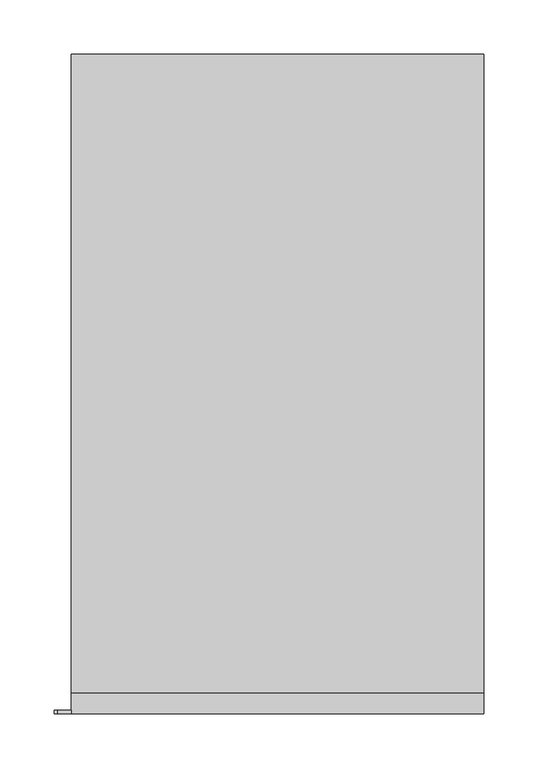
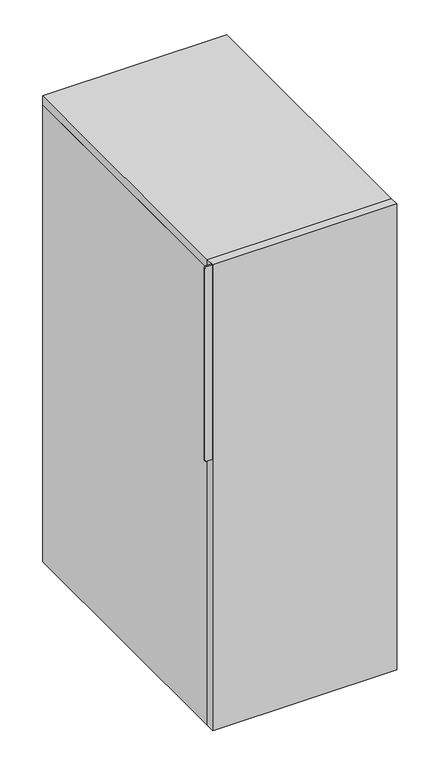
"""IFC4 building model written with IfcOpenShell, lengths in millimetres: furniture geometry."""

from ifc_helpers import new_model, si_unit, point, frame, frame_2d, origin, place, context, project, spatial, polyline, circle_curve, trimmed, segment, composite_curve, outline, extrude, source, transform, mapped, element, save


def furniture_246c6d17(model_context):
    return source(origin(), model_context, "Body", "SweptSolid", [
        extrude(outline(composite_curve([segment(polyline([(1028.7, -190.5), (1028.7, -203.2)]), True, "CONTINUOUS"), segment(trimmed(circle_curve(frame_2d((1025.525, -203.2)), 3.175), [point((1028.7, -203.2))], [point((1025.525, -206.375))], False, "CARTESIAN"), True, "CONTINUOUS"), segment(polyline([(1025.525, -206.375), (606.425, -206.375)]), True, "CONTINUOUS"), segment(trimmed(circle_curve(frame_2d((606.425, -203.2)), 3.175), [point((606.425, -206.375))], [point((603.25, -203.2))], False, "CARTESIAN"), True, "CONTINUOUS"), segment(polyline([(603.25, -203.2), (603.25, -190.5), (1028.7, -190.5)]), True, "CONTINUOUS")], self_intersect=False)), frame((0.0, -609.6, 0.0), z_axis=(0.0, 1.0, 0.0), x_axis=(0.0, 0.0, 1.0)), (0.0, 0.0, 1.0), 3.175),
        extrude(outline(polyline([(190.5, -609.6), (-190.5, -609.6), (-190.5, -590.55), (190.5, -590.55), (190.5, -609.6)])), frame((0.0, 0.0, 9.525), z_axis=(0.0, 0.0, 1.0), x_axis=(1.0, 0.0, 0.0)), (0.0, 0.0, 1.0), 1019.175),
        extrude(outline(polyline([(190.5, 0.0), (190.5, -590.55), (-190.5, -590.55), (-190.5, 0.0), (190.5, 0.0)])), frame((0.0, 0.0, 1009.65), z_axis=(0.0, 0.0, 1.0), x_axis=(1.0, 0.0, 0.0)), (0.0, 0.0, 1.0), 19.05),
        extrude(outline(polyline([(171.45, -19.05), (171.45, -590.55), (-171.45, -590.55), (-171.45, -19.05), (171.45, -19.05)])), frame((0.0, 0.0, 9.525), z_axis=(0.0, 0.0, 1.0), x_axis=(1.0, 0.0, 0.0)), (0.0, 0.0, 1.0), 19.05),
        extrude(outline(polyline([(190.5, 0.0), (190.5, -590.55), (171.45, -590.55), (171.45, -19.05), (-171.45, -19.05), (-171.45, -590.55), (-190.5, -590.55), (-190.5, 0.0), (190.5, 0.0)])), frame((0.0, 0.0, 9.525), z_axis=(0.0, 0.0, 1.0), x_axis=(1.0, 0.0, 0.0)), (0.0, 0.0, 1.0), 1000.125),
    ])


if __name__ == "__main__":
    model = new_model("IFC4")
    model_context = context("Model", 3, world=origin())
    ifc_project = project(units=[si_unit("LENGTHUNIT", "METRE", prefix="MILLI")], contexts=[model_context])
    site = spatial("IfcSite", under=ifc_project)
    building = spatial("IfcBuilding", under=site)
    placement = place(None, origin())
    furniture_shape = furniture_246c6d17(model_context)
    element("IfcFurniture", 1, at=placement, inside=building, context=model_context, shape_type="MappedRepresentation", body=[
        mapped(furniture_shape, transform((0.0, 0.0, 0.0), x_axis=(1.0, 0.0, 0.0), y_axis=(0.0, 1.0, 0.0), z_axis=(0.0, 0.0, 1.0))),
    ])
    save(model, "model.ifc")
